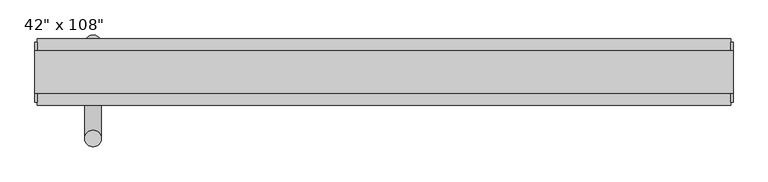
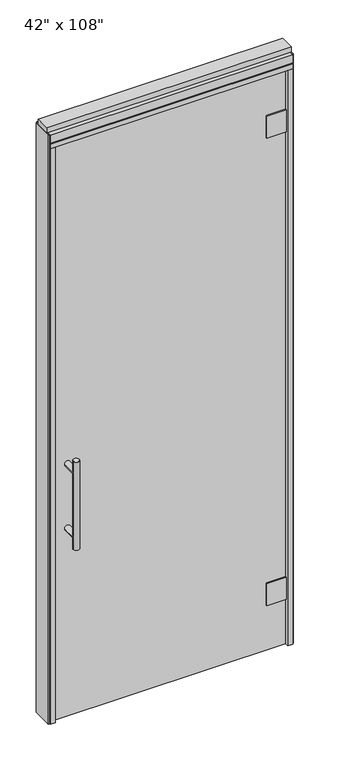
"""IFC4 building model written with IfcOpenShell, lengths in millimetres: furniture geometry."""

from ifc_helpers import new_model, si_unit, frame, origin, origin_with_axes, place, context, project, spatial, polyline, circle_curve, ellipse_curve, outline, extrude, source, transform, mapped, element, save
from ifc_brep_helpers import plane_surface, cylinder_surface, advanced_brep


def furniture_e5fce5d8(model_context):
    return source(origin(), model_context, "Body", "SolidModel", [
        extrude(outline(polyline([(447.2014771, -38.1727216), (-567.2745229, -38.1727216), (-567.2745229, -28.0127216), (447.2014771, -28.0127216), (447.2014771, -38.1727216)])), origin_with_axes(), (0.0, 0.0, 1.0), 2654.3),
        advanced_brep(
        [(-517.2365229, 39.5512784, 1219.2), (-491.8365229, 39.5512784, 1219.2), (-517.2365229, 39.5512784, 812.8), (-491.8365229, 39.5512784, 812.8), (-491.8365229, 39.5512784, 1164.336), (-491.8365229, 39.5512784, 867.664), (-517.2365229, 39.5512784, 867.664), (-517.2365229, 39.5512784, 1164.336), (-517.2365229, -28.0127216, 1164.336), (-491.8365229, -28.0127216, 1164.336), (-517.2365229, -28.0127216, 867.664), (-491.8365229, -28.0127216, 867.664)],
        [
            (0, 1, circle_curve(frame((-504.5365229, 39.5512784, 1219.2), z_axis=(0.0, 0.0, 1.0), x_axis=(1.0, 0.0, 0.0)), 12.7)),
            (1, 0, circle_curve(frame((-504.5365229, 39.5512784, 1219.2), z_axis=(0.0, 0.0, 1.0), x_axis=(1.0, 0.0, 0.0)), 12.7)),
            (2, 3, circle_curve(frame((-504.5365229, 39.5512784, 812.8), z_axis=(0.0, 0.0, -1.0), x_axis=(1.0, 0.0, 0.0)), 12.7)),
            (3, 2, circle_curve(frame((-504.5365229, 39.5512784, 812.8), z_axis=(0.0, 0.0, -1.0), x_axis=(1.0, 0.0, 0.0)), 12.7)),
            (1, 4),
            (4, 5),
            (5, 3),
            (2, 6),
            (6, 7),
            (7, 0),
            (6, 5, ellipse_curve(frame((-504.5365229, 39.5512784, 867.664), z_axis=(0.0, 0.707106781186565, 0.70710678118653), x_axis=(0.0, -0.70710678118653, 0.707106781186565)), 17.9605122, 12.7)),
            (4, 7, ellipse_curve(frame((-504.5365229, 39.5512784, 1164.336), z_axis=(0.0, 0.70710678118653, -0.7071067811865649), x_axis=(0.0, 0.7071067811865648, 0.7071067811865301)), 17.9605122, 12.7)),
            (7, 4, ellipse_curve(frame((-504.5365229, 39.5512784, 1164.336), z_axis=(0.0, 0.707106781186565, 0.70710678118653), x_axis=(0.0, -0.70710678118653, 0.707106781186565)), 17.9605122, 12.7)),
            (5, 6, ellipse_curve(frame((-504.5365229, 39.5512784, 867.664), z_axis=(0.0, 0.70710678118653, -0.7071067811865649), x_axis=(0.0, 0.7071067811865648, 0.7071067811865301)), 17.9605122, 12.7)),
            (8, 9, circle_curve(frame((-504.5365229, -28.0127216, 1164.336), z_axis=(0.0, -1.0, 0.0), x_axis=(1.0, 0.0, 0.0)), 12.7)),
            (9, 8, circle_curve(frame((-504.5365229, -28.0127216, 1164.336), z_axis=(0.0, -1.0, 0.0), x_axis=(1.0, 0.0, 0.0)), 12.7)),
            (8, 7),
            (4, 9),
            (10, 11, circle_curve(frame((-504.5365229, -28.0127216, 867.664), z_axis=(0.0, -1.0, 0.0), x_axis=(1.0, 0.0, 0.0)), 12.7)),
            (11, 10, circle_curve(frame((-504.5365229, -28.0127216, 867.664), z_axis=(0.0, -1.0, 0.0), x_axis=(1.0, 0.0, 0.0)), 12.7)),
            (10, 6),
            (5, 11),
        ],
        [
            plane_surface(frame((-491.8365229, 39.5512784, 1219.2), z_axis=(0.0, 0.0, 1.0), x_axis=(0.0, -1.0, 0.0))),
            plane_surface(frame((-491.8365229, 39.5512784, 812.8), z_axis=(0.0, 0.0, -1.0), x_axis=(0.0, 1.0, 0.0))),
            cylinder_surface(frame((-504.5365229, 39.5512784, 812.8), z_axis=(0.0, 0.0, 1.0), x_axis=(1.0, 0.0, 0.0)), 12.7),
            plane_surface(frame((-491.8365229, -28.0127216, 1164.336), z_axis=(0.0, -1.0, 0.0), x_axis=(0.0, 0.0, -1.0))),
            cylinder_surface(frame((-504.5365229, -28.0127216, 1164.336), z_axis=(0.0, 1.0, 0.0), x_axis=(1.0, 0.0, 0.0)), 12.7),
            plane_surface(frame((-491.8365229, -28.0127216, 867.664), z_axis=(0.0, -1.0, 0.0), x_axis=(0.0, 0.0, -1.0))),
            cylinder_surface(frame((-504.5365229, -28.0127216, 867.664), z_axis=(0.0, 1.0, 0.0), x_axis=(1.0, 0.0, 0.0)), 12.7),
        ],
        [
            (0, [[1, 2]]),
            (1, [[3, 4]]),
            (2, [[5, 6, 7, -3, 8, 9, 10, -2]]),
            (2, [[-9, 11, -6, 12]]),
            (2, [[-10, 13, -5, -1]]),
            (2, [[-7, 14, -8, -4]]),
            (3, [[15, 16]]),
            (4, [[17, -12, 18, -15]]),
            (4, [[-18, -13, -17, -16]]),
            (5, [[19, 20]]),
            (6, [[21, -14, 22, -19]]),
            (6, [[-22, -11, -21, -20]]),
        ],
    ),
        advanced_brep(
        [(-517.2365229, -105.7367216, 1219.2), (-491.8365229, -105.7367216, 1219.2), (-517.2365229, -105.7367216, 812.8), (-491.8365229, -105.7367216, 812.8), (-517.2365229, -105.7367216, 1164.336), (-517.2365229, -105.7367216, 867.664), (-491.8365229, -105.7367216, 867.664), (-491.8365229, -105.7367216, 1164.336), (-517.2365229, -38.1727216, 1164.336), (-491.8365229, -38.1727216, 1164.336), (-517.2365229, -38.1727216, 867.664), (-491.8365229, -38.1727216, 867.664)],
        [
            (0, 1, circle_curve(frame((-504.5365229, -105.7367216, 1219.2), z_axis=(0.0, 0.0, 1.0), x_axis=(1.0, 0.0, 0.0)), 12.7)),
            (1, 0, circle_curve(frame((-504.5365229, -105.7367216, 1219.2), z_axis=(0.0, 0.0, 1.0), x_axis=(1.0, 0.0, 0.0)), 12.7)),
            (2, 3, circle_curve(frame((-504.5365229, -105.7367216, 812.8), z_axis=(0.0, 0.0, -1.0), x_axis=(1.0, 0.0, 0.0)), 12.7)),
            (3, 2, circle_curve(frame((-504.5365229, -105.7367216, 812.8), z_axis=(0.0, 0.0, -1.0), x_axis=(1.0, 0.0, 0.0)), 12.7)),
            (0, 4),
            (4, 5),
            (5, 2),
            (3, 6),
            (6, 7),
            (7, 1),
            (7, 4, ellipse_curve(frame((-504.5365229, -105.7367216, 1164.336), z_axis=(0.0, -0.707106781186565, 0.70710678118653), x_axis=(0.0, 0.70710678118653, 0.707106781186565)), 17.9605122, 12.7)),
            (5, 6, ellipse_curve(frame((-504.5365229, -105.7367216, 867.664), z_axis=(0.0, -0.70710678118653, -0.7071067811865649), x_axis=(0.0, -0.7071067811865648, 0.7071067811865301)), 17.9605122, 12.7)),
            (4, 7, ellipse_curve(frame((-504.5365229, -105.7367216, 1164.336), z_axis=(0.0, -0.70710678118653, -0.7071067811865649), x_axis=(0.0, -0.7071067811865648, 0.7071067811865301)), 17.9605122, 12.7)),
            (6, 5, ellipse_curve(frame((-504.5365229, -105.7367216, 867.664), z_axis=(0.0, -0.707106781186565, 0.70710678118653), x_axis=(0.0, 0.70710678118653, 0.707106781186565)), 17.9605122, 12.7)),
            (8, 9, circle_curve(frame((-504.5365229, -38.1727216, 1164.336), z_axis=(0.0, 1.0, 0.0), x_axis=(1.0, 0.0, 0.0)), 12.7)),
            (9, 8, circle_curve(frame((-504.5365229, -38.1727216, 1164.336), z_axis=(0.0, 1.0, 0.0), x_axis=(1.0, 0.0, 0.0)), 12.7)),
            (9, 7),
            (4, 8),
            (10, 11, circle_curve(frame((-504.5365229, -38.1727216, 867.664), z_axis=(0.0, 1.0, 0.0), x_axis=(1.0, 0.0, 0.0)), 12.7)),
            (11, 10, circle_curve(frame((-504.5365229, -38.1727216, 867.664), z_axis=(0.0, 1.0, 0.0), x_axis=(1.0, 0.0, 0.0)), 12.7)),
            (11, 6),
            (5, 10),
        ],
        [
            plane_surface(frame((-491.8365229, -105.7367216, 1219.2), z_axis=(0.0, 0.0, 1.0), x_axis=(0.0, 1.0, 0.0))),
            plane_surface(frame((-491.8365229, -105.7367216, 812.8), z_axis=(0.0, 0.0, -1.0), x_axis=(0.0, -1.0, 0.0))),
            cylinder_surface(frame((-504.5365229, -105.7367216, 812.8), z_axis=(0.0, 0.0, 1.0), x_axis=(1.0, 0.0, 0.0)), 12.7),
            plane_surface(frame((-491.8365229, -38.1727216, 1164.336), z_axis=(0.0, 1.0, 0.0), x_axis=(0.0, 0.0, -1.0))),
            cylinder_surface(frame((-504.5365229, -38.1727216, 1164.336), z_axis=(0.0, -1.0, 0.0), x_axis=(1.0, 0.0, 0.0)), 12.7),
            plane_surface(frame((-491.8365229, -38.1727216, 867.664), z_axis=(0.0, 1.0, 0.0), x_axis=(0.0, 0.0, -1.0))),
            cylinder_surface(frame((-504.5365229, -38.1727216, 867.664), z_axis=(0.0, -1.0, 0.0), x_axis=(1.0, 0.0, 0.0)), 12.7),
        ],
        [
            (0, [[1, 2]]),
            (1, [[3, 4]]),
            (2, [[-1, 5, 6, 7, -4, 8, 9, 10]]),
            (2, [[-2, -10, 11, -5]]),
            (2, [[-3, -7, 12, -8]]),
            (2, [[13, -9, 14, -6]]),
            (3, [[15, 16]]),
            (4, [[-16, 17, -13, 18]]),
            (4, [[-15, -18, -11, -17]]),
            (5, [[19, 20]]),
            (6, [[-20, 21, -12, 22]]),
            (6, [[-19, -22, -14, -21]]),
        ],
    ),
        extrude(outline(polyline([(447.2014771, -44.5227216), (362.3654771, -44.5227216), (362.3654771, -38.1727216), (447.2014771, -38.1727216), (447.2014771, -44.5227216)])), frame((0.0, 0.0, 2364.486), z_axis=(0.0, 0.0, 1.0), x_axis=(1.0, 0.0, 0.0)), (0.0, 0.0, 1.0), 101.6),
        extrude(outline(polyline([(447.2014771, -44.5227216), (362.3654771, -44.5227216), (362.3654771, -38.1727216), (447.2014771, -38.1727216), (447.2014771, -44.5227216)])), frame((0.0, 0.0, 207.899), z_axis=(0.0, 0.0, 1.0), x_axis=(1.0, 0.0, 0.0)), (0.0, 0.0, 1.0), 101.6),
        extrude(outline(polyline([(362.3654771, -21.6627216), (447.2014771, -21.6627216), (447.2014771, -28.0127216), (362.3654771, -28.0127216), (362.3654771, -21.6627216)])), frame((0.0, 0.0, 2364.486), z_axis=(0.0, 0.0, 1.0), x_axis=(1.0, 0.0, 0.0)), (0.0, 0.0, 1.0), 101.6),
        extrude(outline(polyline([(362.3654771, -21.6627216), (447.2014771, -21.6627216), (447.2014771, -28.0127216), (362.3654771, -28.0127216), (362.3654771, -21.6627216)])), frame((0.0, 0.0, 207.899), z_axis=(0.0, 0.0, 1.0), x_axis=(1.0, 0.0, 0.0)), (0.0, 0.0, 1.0), 101.6),
        extrude(outline(polyline([(-589.4995229, -55.3177216), (-589.4995229, 46.2822784), (469.4264771, 46.2822784), (469.4264771, -55.3177216), (-589.4995229, -55.3177216)])), frame((0.0, 0.0, 2654.3), z_axis=(0.0, 0.0, 1.0), x_axis=(1.0, 0.0, 0.0)), (0.0, 0.0, 1.0), 22.225),
        extrude(outline(polyline([(473.3634771, -50.3647216), (469.4264771, -50.3647216), (469.4264771, 41.3292784), (473.3634771, 41.3292784), (473.3634771, -50.3647216)])), origin_with_axes(), (0.0, 0.0, 1.0), 2717.8),
        extrude(outline(polyline([(-593.4365229, -50.3647216), (-593.4365229, 41.3292784), (-589.4995229, 41.3292784), (-589.4995229, -50.3647216), (-593.4365229, -50.3647216)])), origin_with_axes(), (0.0, 0.0, 1.0), 2717.8),
        extrude(outline(polyline([(447.2014771, -55.3177216), (447.2014771, 46.2822784), (469.4264771, 46.2822784), (469.4264771, -55.3177216), (447.2014771, -55.3177216)])), origin_with_axes(), (0.0, 0.0, 1.0), 2654.3),
        extrude(outline(polyline([(-567.2745229, -55.3177216), (-589.4995229, -55.3177216), (-589.4995229, 46.2822784), (-567.2745229, 46.2822784), (-567.2745229, -55.3177216)])), origin_with_axes(), (0.0, 0.0, 1.0), 2654.3),
        extrude(outline(polyline([(-55.3177216, 2681.478), (-55.3177216, 2717.8), (46.2822784, 2717.8), (46.2822784, 2681.478), (41.3292784, 2681.478), (41.3292784, 2676.525), (-50.3647216, 2676.525), (-50.3647216, 2681.478), (-55.3177216, 2681.478)])), frame((-589.4995229, 0.0, 0.0), z_axis=(1.0, 0.0, 0.0), x_axis=(0.0, 1.0, 0.0)), (0.0, 0.0, 1.0), 1058.926),
        extrude(outline(polyline([(-593.4365229, -37.0297216), (-593.4365229, 27.9942784), (473.3634771, 27.9942784), (473.3634771, -37.0297216), (-593.4365229, -37.0297216)])), frame((0.0, 0.0, 2717.8), z_axis=(0.0, 0.0, 1.0), x_axis=(1.0, 0.0, 0.0)), (0.0, 0.0, 1.0), 25.4),
    ])


if __name__ == "__main__":
    model = new_model("IFC4")
    model_context = context("Model", 3, world=origin())
    ifc_project = project(units=[si_unit("LENGTHUNIT", "METRE", prefix="MILLI")], contexts=[model_context])
    site = spatial("IfcSite", under=ifc_project)
    building = spatial("IfcBuilding", under=site)
    placement = place(None, origin())
    furniture_shape = furniture_e5fce5d8(model_context)
    element("IfcFurniture", 1, ObjectType="42\" x 108\"", at=placement, inside=building, context=model_context, shape_type="MappedRepresentation", body=[
        mapped(furniture_shape, transform((0.0, 0.0, 0.0), x_axis=(1.0, 0.0, 0.0), y_axis=(0.0, 1.0, 0.0), z_axis=(0.0, 0.0, 1.0))),
    ])
    save(model, "model.ifc")
